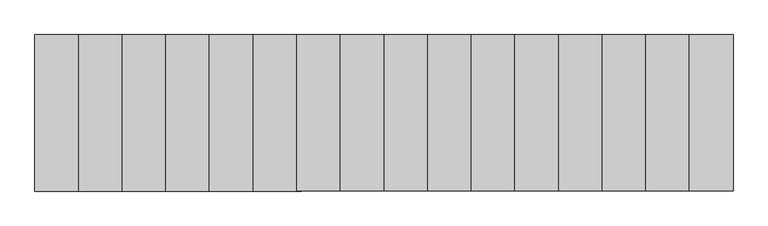
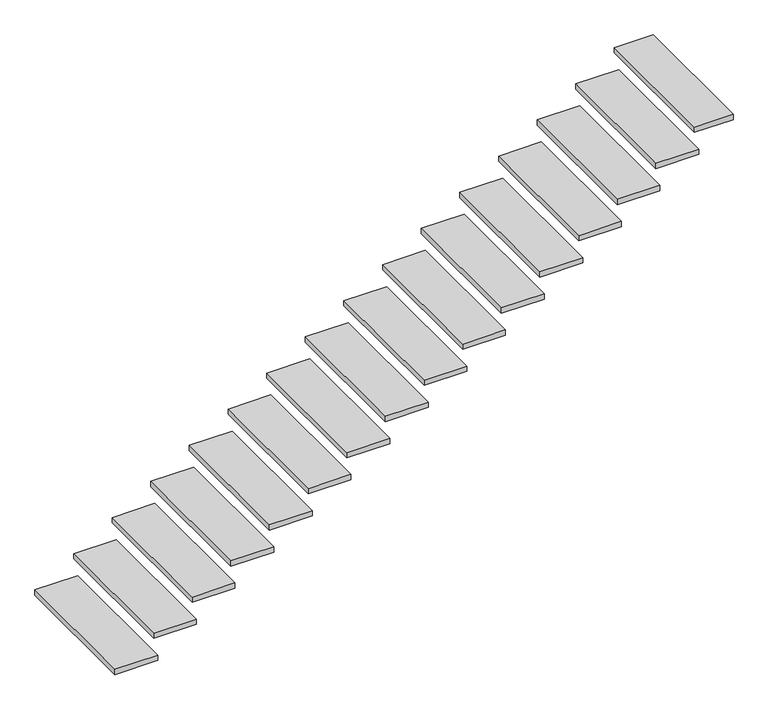
"""IFC4 building model written with IfcOpenShell, lengths in millimetres: stair flight geometry."""

from ifc_helpers import new_model, si_unit, frame, origin, place, context, project, spatial, polyline, outline, extrude, source, transform, mapped, element, save


def stair_flight_b2b7ae1c(model_context):
    return source(origin(), model_context, "Body", "SweptSolid", [
        extrude(outline(polyline([(80328.75, 1000.0), (80328.75, 0.0), (80020.0, 0.0), (80020.0, 1000.0), (80328.75, 1000.0)])), frame((0.0, 0.0, 138.125), z_axis=(0.0, 0.0, 1.0), x_axis=(1.0, 0.0, 0.0)), (0.0, 0.0, 1.0), 40.0),
        extrude(outline(polyline([(80607.5, 1000.0), (80607.5, 0.0), (80298.75, 0.0), (80298.75, 1000.0), (80607.5, 1000.0)])), frame((0.0, 0.0, 316.25), z_axis=(0.0, 0.0, 1.0), x_axis=(1.0, 0.0, 0.0)), (0.0, 0.0, 1.0), 40.0),
        extrude(outline(polyline([(80886.25, 1000.0), (80886.25, 0.0), (80577.5, 0.0), (80577.5, 1000.0), (80886.25, 1000.0)])), frame((0.0, 0.0, 494.375), z_axis=(0.0, 0.0, 1.0), x_axis=(1.0, 0.0, 0.0)), (0.0, 0.0, 1.0), 40.0),
        extrude(outline(polyline([(81165.0, 1000.0), (81165.0, 0.0), (80856.25, 0.0), (80856.25, 1000.0), (81165.0, 1000.0)])), frame((0.0, 0.0, 672.5), z_axis=(0.0, 0.0, 1.0), x_axis=(1.0, 0.0, 0.0)), (0.0, 0.0, 1.0), 40.0),
        extrude(outline(polyline([(81443.75, 1000.0), (81443.75, 0.0), (81135.0, 0.0), (81135.0, 1000.0), (81443.75, 1000.0)])), frame((0.0, 0.0, 850.625), z_axis=(0.0, 0.0, 1.0), x_axis=(1.0, 0.0, 0.0)), (0.0, 0.0, 1.0), 40.0),
        extrude(outline(polyline([(81722.5, 1000.0), (81722.5, 0.0), (81413.75, 0.0), (81413.75, 1000.0), (81722.5, 1000.0)])), frame((0.0, 0.0, 1028.75), z_axis=(0.0, 0.0, 1.0), x_axis=(1.0, 0.0, 0.0)), (0.0, 0.0, 1.0), 40.0),
        extrude(outline(polyline([(82001.25, 1000.0), (82001.25, 0.0), (81692.5, 0.0), (81692.5, 1000.0), (82001.25, 1000.0)])), frame((0.0, 0.0, 1206.875), z_axis=(0.0, 0.0, 1.0), x_axis=(1.0, 0.0, 0.0)), (0.0, 0.0, 1.0), 40.0),
        extrude(outline(polyline([(82280.0, 1000.0), (82280.0, 0.0), (81971.25, 0.0), (81971.25, 1000.0), (82280.0, 1000.0)])), frame((0.0, 0.0, 1385.0), z_axis=(0.0, 0.0, 1.0), x_axis=(1.0, 0.0, 0.0)), (0.0, 0.0, 1.0), 40.0),
        extrude(outline(polyline([(82558.75, 1000.0), (82558.75, 0.0), (82250.0, 0.0), (82250.0, 1000.0), (82558.75, 1000.0)])), frame((0.0, 0.0, 1563.125), z_axis=(0.0, 0.0, 1.0), x_axis=(1.0, 0.0, 0.0)), (0.0, 0.0, 1.0), 40.0),
        extrude(outline(polyline([(82837.5, 1000.0), (82837.5, 0.0), (82528.75, 0.0), (82528.75, 1000.0), (82837.5, 1000.0)])), frame((0.0, 0.0, 1741.25), z_axis=(0.0, 0.0, 1.0), x_axis=(1.0, 0.0, 0.0)), (0.0, 0.0, 1.0), 40.0),
        extrude(outline(polyline([(83116.25, 1000.0), (83116.25, 0.0), (82807.5, 0.0), (82807.5, 1000.0), (83116.25, 1000.0)])), frame((0.0, 0.0, 1919.375), z_axis=(0.0, 0.0, 1.0), x_axis=(1.0, 0.0, 0.0)), (0.0, 0.0, 1.0), 40.0),
        extrude(outline(polyline([(83395.0, 1000.0), (83395.0, 0.0), (83086.25, 0.0), (83086.25, 1000.0), (83395.0, 1000.0)])), frame((0.0, 0.0, 2097.5), z_axis=(0.0, 0.0, 1.0), x_axis=(1.0, 0.0, 0.0)), (0.0, 0.0, 1.0), 40.0),
        extrude(outline(polyline([(83673.75, 1000.0), (83673.75, 0.0), (83365.0, 0.0), (83365.0, 1000.0), (83673.75, 1000.0)])), frame((0.0, 0.0, 2275.625), z_axis=(0.0, 0.0, 1.0), x_axis=(1.0, 0.0, 0.0)), (0.0, 0.0, 1.0), 40.0),
        extrude(outline(polyline([(83952.5, 1000.0), (83952.5, 0.0), (83643.75, 0.0), (83643.75, 1000.0), (83952.5, 1000.0)])), frame((0.0, 0.0, 2453.75), z_axis=(0.0, 0.0, 1.0), x_axis=(1.0, 0.0, 0.0)), (0.0, 0.0, 1.0), 40.0),
        extrude(outline(polyline([(84231.25, 1000.0), (84231.25, 0.0), (83922.5, 0.0), (83922.5, 1000.0), (84231.25, 1000.0)])), frame((0.0, 0.0, 2631.875), z_axis=(0.0, 0.0, 1.0), x_axis=(1.0, 0.0, 0.0)), (0.0, 0.0, 1.0), 40.0),
        extrude(outline(polyline([(84480.0, 1000.0), (84480.0, 0.0), (84201.25, 0.0), (84201.25, 1000.0), (84480.0, 1000.0)])), frame((0.0, 0.0, 2810.0), z_axis=(0.0, 0.0, 1.0), x_axis=(1.0, 0.0, 0.0)), (0.0, 0.0, 1.0), 40.0),
    ])


if __name__ == "__main__":
    model = new_model("IFC4")
    model_context = context("Model", 3, world=origin())
    ifc_project = project(units=[si_unit("LENGTHUNIT", "METRE", prefix="MILLI")], contexts=[model_context])
    site = spatial("IfcSite", under=ifc_project)
    building = spatial("IfcBuilding", under=site)
    placement = place(None, origin())
    stair_flight_shape = stair_flight_b2b7ae1c(model_context)
    element("IfcStairFlight", 1, at=placement, inside=building, context=model_context, shape_type="MappedRepresentation", body=[
        mapped(stair_flight_shape, transform((0.0, 0.0, 0.0), x_axis=(1.0, 0.0, 0.0), y_axis=(0.0, 1.0, 0.0), z_axis=(0.0, 0.0, 1.0))),
    ])
    save(model, "model.ifc")
